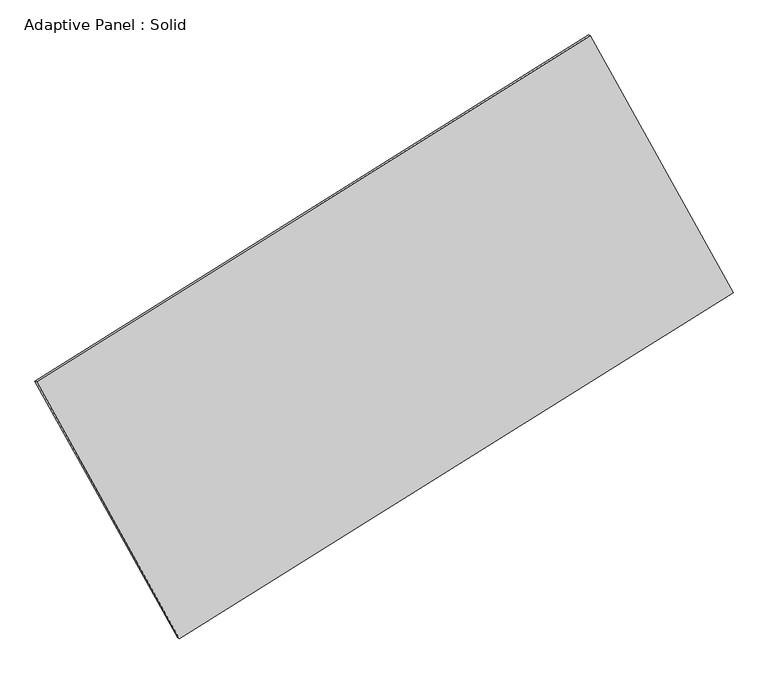
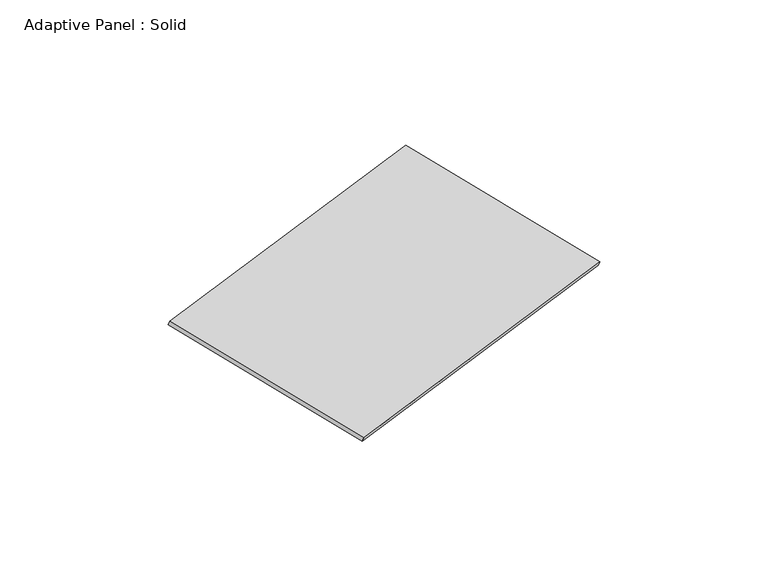
"""IFC4 building model written with IfcOpenShell, lengths in millimetres: plate geometry, Adaptive Panel : Solid."""

from ifc_helpers import new_model, si_unit, frame, origin, place, context, project, spatial, polyline, outline, extrude, source, transform, mapped, element, save


def adaptive_panel_solid_3c7433c2(model_context):
    return source(origin(), model_context, "Body", "SweptSolid", [
        extrude(outline(polyline([(-1345.8687951, 2941.2217718), (1346.0237737, 2941.2217718), (1345.8687933, -2941.2926923), (-1346.0237719, -2941.1508513), (-1345.8687951, 2941.2217718)])), frame((-650.8226445, -100.0621432, 871.2806301), z_axis=(0.2933271166111765, -0.12760186928687128, 0.9474581603506667), x_axis=(0.4692816316890829, -0.8442167670357471, -0.25898417020146847)), (0.0, 0.0, 1.0), 50.0),
    ])


if __name__ == "__main__":
    model = new_model("IFC4")
    model_context = context("Model", 3, world=origin())
    ifc_project = project(units=[si_unit("LENGTHUNIT", "METRE", prefix="MILLI")], contexts=[model_context])
    site = spatial("IfcSite", under=ifc_project)
    building = spatial("IfcBuilding", under=site)
    placement = place(None, origin())
    adaptive_panel_solid_shape = adaptive_panel_solid_3c7433c2(model_context)
    element("IfcPlate", 1, ObjectType="Adaptive Panel : Solid", at=placement, inside=building, context=model_context, shape_type="MappedRepresentation", body=[
        mapped(adaptive_panel_solid_shape, transform((0.0, 0.0, 0.0), x_axis=(1.0, 0.0, 0.0), y_axis=(0.0, 1.0, 0.0), z_axis=(0.0, 0.0, 1.0))),
    ])
    save(model, "model.ifc")
